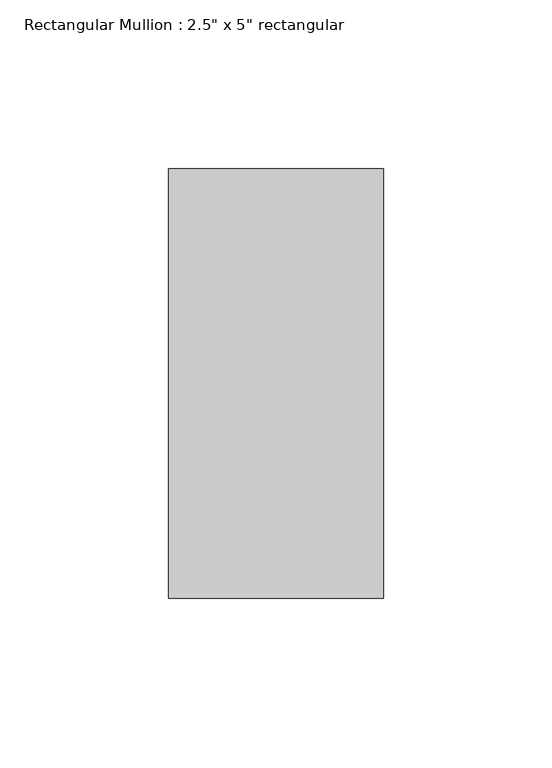
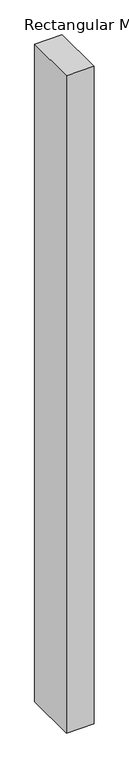
"""IFC4 building model written with IfcOpenShell, lengths in millimetres: member geometry."""

from ifc_helpers import new_model, si_unit, frame, origin, place, context, project, spatial, polyline, outline, extrude, source, transform, mapped, element, save


def member_9a4442cc(model_context):
    return source(origin(), model_context, "Body", "SweptSolid", [
        extrude(outline(polyline([(0.0, 63.5), (0.0, -63.5), (-63.5, -63.5), (-63.5, 63.5), (0.0, 63.5)])), frame((0.0, 0.0, -1603.8171921), z_axis=(0.0, 0.0, 1.0), x_axis=(1.0, 0.0, 0.0)), (0.0, 0.0, 1.0), 1603.8171921),
    ])


if __name__ == "__main__":
    model = new_model("IFC4")
    model_context = context("Model", 3, world=origin())
    ifc_project = project(units=[si_unit("LENGTHUNIT", "METRE", prefix="MILLI")], contexts=[model_context])
    site = spatial("IfcSite", under=ifc_project)
    building = spatial("IfcBuilding", under=site)
    placement = place(None, origin())
    member_shape = member_9a4442cc(model_context)
    element("IfcMember", 1, ObjectType="Rectangular Mullion : 2.5\" x 5\" rectangular", at=placement, inside=building, context=model_context, shape_type="MappedRepresentation", body=[
        mapped(member_shape, transform((0.0, 0.0, 0.0), x_axis=(1.0, 0.0, 0.0), y_axis=(0.0, 1.0, 0.0), z_axis=(0.0, 0.0, 1.0))),
    ])
    save(model, "model.ifc")
